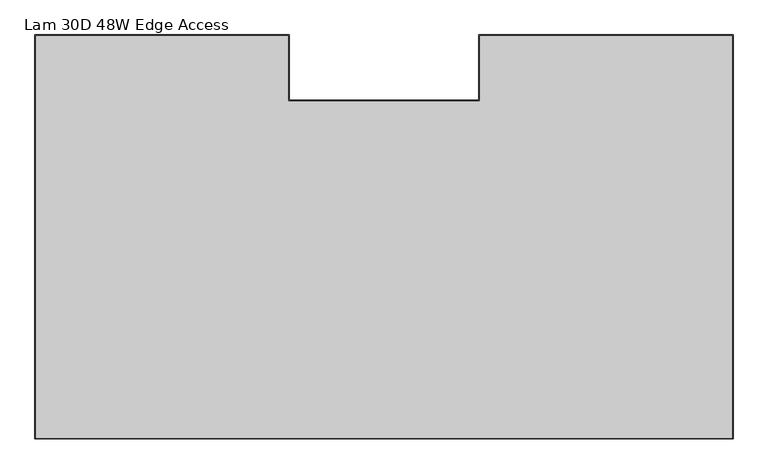
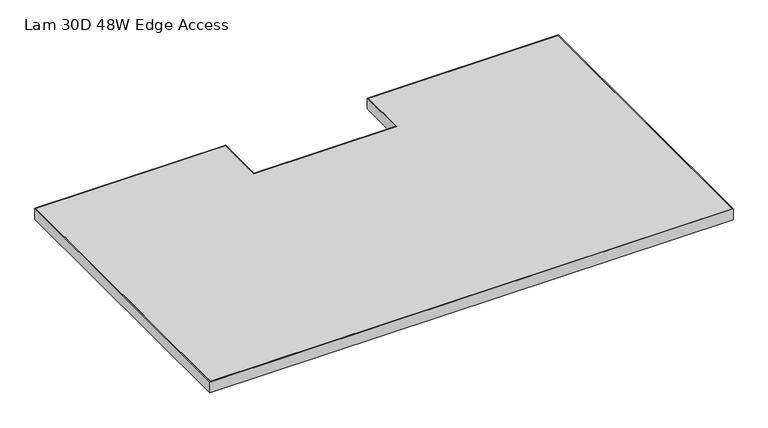
"""IFC4 building model written with IfcOpenShell, lengths in millimetres: furniture geometry, Lam 30D 48W Edge Access."""

from ifc_helpers import new_model, si_unit, frame, origin, place, context, project, spatial, polyline, outline, extrude, source, transform, mapped, element, save


def lam_30d_48w_edge_access_2b373bd4(model_context):
    return source(origin(), model_context, "Body", "SweptSolid", [
        extrude(outline(polyline([(1216.1520029, -54.1019984), (1216.1520029, -758.8250121), (0.0, -758.8250121), (0.0, -54.1019984), (443.2299952, -54.1019984), (443.2299952, -168.1480031), (772.9220078, -168.1480031), (772.9220078, -54.1019984), (1216.1520029, -54.1019984)]), holes=[polyline([(1.6002, -55.7021984), (1.6002, -757.2248121), (1214.5518029, -757.2248121), (1214.5518029, -55.7021984), (774.5222078, -55.7021984), (774.5222078, -169.7482031), (441.6297952, -169.7482031), (441.6297952, -55.7021984), (1.6002, -55.7021984)])]), frame((0.0, 0.0, 291.846), z_axis=(0.0, 0.0, 1.0), x_axis=(1.0, 0.0, 0.0)), (0.0, 0.0, 1.0), 26.67),
        extrude(outline(polyline([(1.6002, -757.2248121), (1.6002, -55.7021984), (441.6297952, -55.7021984), (441.6297952, -169.7482031), (774.5222078, -169.7482031), (774.5222078, -55.7021984), (1214.5518029, -55.7021984), (1214.5518029, -757.2248121), (1.6002, -757.2248121)])), frame((0.0, 0.0, 291.846), z_axis=(0.0, 0.0, 1.0), x_axis=(1.0, 0.0, 0.0)), (0.0, 0.0, 1.0), 26.67),
    ])


if __name__ == "__main__":
    model = new_model("IFC4")
    model_context = context("Model", 3, world=origin())
    ifc_project = project(units=[si_unit("LENGTHUNIT", "METRE", prefix="MILLI")], contexts=[model_context])
    site = spatial("IfcSite", under=ifc_project)
    building = spatial("IfcBuilding", under=site)
    placement = place(None, origin())
    lam_30d_48w_edge_access_shape = lam_30d_48w_edge_access_2b373bd4(model_context)
    element("IfcFurniture", 1, ObjectType="Lam 30D 48W Edge Access", at=placement, inside=building, context=model_context, shape_type="MappedRepresentation", body=[
        mapped(lam_30d_48w_edge_access_shape, transform((0.0, 0.0, 0.0), x_axis=(1.0, 0.0, 0.0), y_axis=(0.0, 1.0, 0.0), z_axis=(0.0, 0.0, 1.0))),
    ])
    save(model, "model.ifc")
